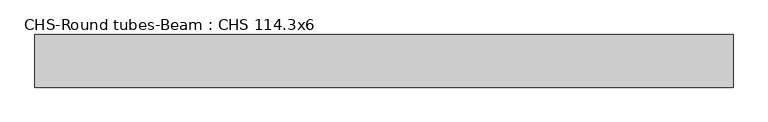
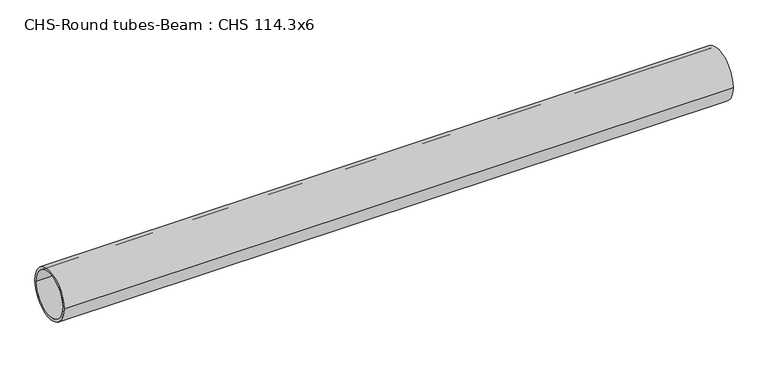
"""IFC4 building model written with IfcOpenShell, lengths in millimetres: beam geometry, CHS-Round tubes-Beam : CHS 114.3x6."""

from ifc_helpers import new_model, si_unit, point, frame, origin, origin_2d, place, context, project, spatial, circle_curve, trimmed, segment, composite_curve, outline, extrude, source, transform, mapped, element, save


def chs_round_tubes_beam_chs_114_3x6_aa12a2d2(model_context):
    return source(origin(), model_context, "Body", "SweptSolid", [
        extrude(outline(composite_curve([segment(trimmed(circle_curve(origin_2d(), 57.15), [point((57.15, 0.0))], [point((-57.15, 0.0))], False, "CARTESIAN"), True, "CONTINUOUS"), segment(trimmed(circle_curve(origin_2d(), 57.15), [point((-57.15, 0.0))], [point((57.15, 0.0))], False, "CARTESIAN"), True, "CONTINUOUS")], self_intersect=False), holes=[composite_curve([segment(trimmed(circle_curve(origin_2d(), 51.15), [point((51.15, 0.0))], [point((-51.15, 0.0))], True, "CARTESIAN"), True, "CONTINUOUS"), segment(trimmed(circle_curve(origin_2d(), 51.15), [point((-51.15, 0.0))], [point((51.15, 0.0))], True, "CARTESIAN"), True, "CONTINUOUS")], self_intersect=False)]), frame((-750.7261132, 0.0, 0.0), z_axis=(1.0, 0.0, 0.0), x_axis=(0.0, 1.0, 0.0)), (0.0, 0.0, 1.0), 1516.1532325),
    ])


if __name__ == "__main__":
    model = new_model("IFC4")
    model_context = context("Model", 3, world=origin())
    ifc_project = project(units=[si_unit("LENGTHUNIT", "METRE", prefix="MILLI")], contexts=[model_context])
    site = spatial("IfcSite", under=ifc_project)
    building = spatial("IfcBuilding", under=site)
    placement = place(None, origin())
    chs_round_tubes_beam_chs_114_3x6_shape = chs_round_tubes_beam_chs_114_3x6_aa12a2d2(model_context)
    element("IfcBeam", 1, ObjectType="CHS-Round tubes-Beam : CHS 114.3x6", at=placement, inside=building, context=model_context, shape_type="MappedRepresentation", body=[
        mapped(chs_round_tubes_beam_chs_114_3x6_shape, transform((0.0, 0.0, 0.0), x_axis=(1.0, 0.0, 0.0), y_axis=(0.0, 1.0, 0.0), z_axis=(0.0, 0.0, 1.0))),
    ])
    save(model, "model.ifc")
